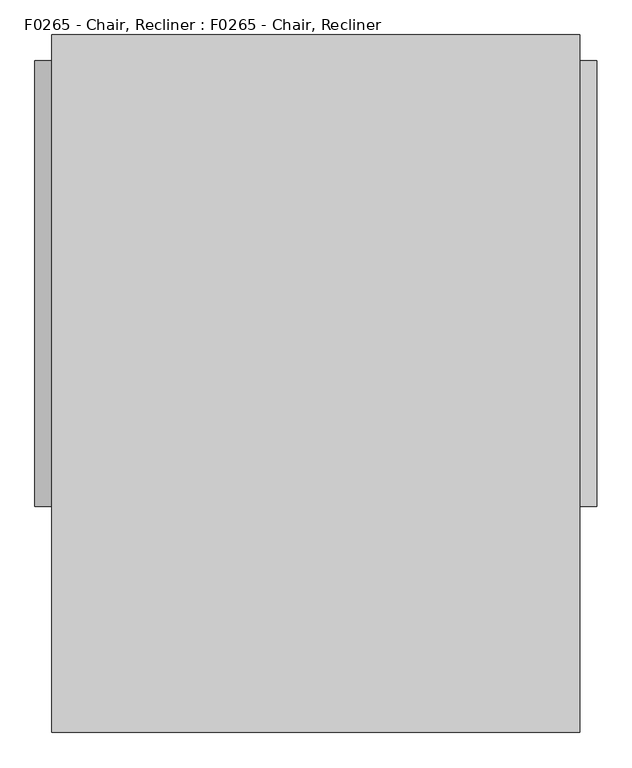
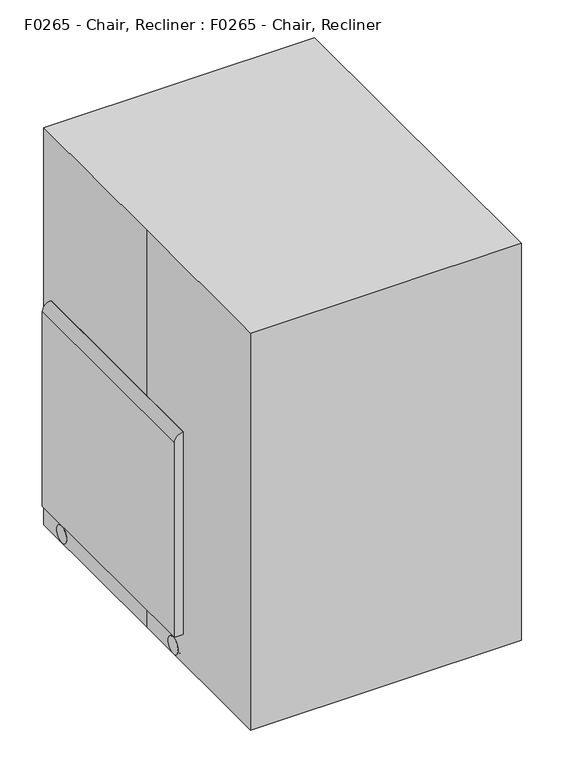
"""IFC4 building model written with IfcOpenShell, lengths in millimetres: proxy geometry, F0265 - Chair, Recliner : F0265 - Chair, Recliner."""

from ifc_helpers import new_model, si_unit, point, frame, frame_2d, origin, origin_with_axes, place, context, project, spatial, polyline, circle_curve, trimmed, segment, composite_curve, outline, extrude, source, transform, mapped, element, save


def f0265_chair_recliner_f0265_chair_recliner_27df9207(model_context):
    return source(origin(), model_context, "Body", "SweptSolid", [
        extrude(outline(composite_curve([segment(trimmed(circle_curve(frame_2d((-131.7625, 25.4)), 25.4), [point((-106.3625, 25.4))], [point((-157.1625, 25.4))], False, "CARTESIAN"), True, "CONTINUOUS"), segment(trimmed(circle_curve(frame_2d((-131.7625, 25.4)), 25.4), [point((-157.1625, 25.4))], [point((-106.3625, 25.4))], False, "CARTESIAN"), True, "CONTINUOUS")], self_intersect=False)), frame((-365.125, 0.0, 0.0), z_axis=(1.0, 0.0, 0.0), x_axis=(0.0, 1.0, 0.0)), (0.0, 0.0, 1.0), 9.525),
        extrude(outline(composite_curve([segment(trimmed(circle_curve(frame_2d((-374.65, -141.2875)), 7.9375), [point((-366.7125, -141.2875))], [point((-382.5875, -141.2875))], False, "CARTESIAN"), True, "CONTINUOUS"), segment(trimmed(circle_curve(frame_2d((-374.65, -141.2875)), 7.9375), [point((-382.5875, -141.2875))], [point((-366.7125, -141.2875))], False, "CARTESIAN"), True, "CONTINUOUS")], self_intersect=False)), frame((0.0, 0.0, 24.4243927), z_axis=(0.0, 0.0, 1.0), x_axis=(1.0, 0.0, 0.0)), (0.0, 0.0, 1.0), 64.4756073),
        extrude(outline(composite_curve([segment(trimmed(circle_curve(frame_2d((-131.7625, 25.4)), 19.05), [point((-150.8125, 25.4))], [point((-112.7125, 25.4))], False, "CARTESIAN"), True, "CONTINUOUS"), segment(trimmed(circle_curve(frame_2d((-131.7625, 25.4)), 19.05), [point((-112.7125, 25.4))], [point((-150.8125, 25.4))], False, "CARTESIAN"), True, "CONTINUOUS")], self_intersect=False)), frame((-384.175, 0.0, 0.0), z_axis=(1.0, 0.0, 0.0), x_axis=(0.0, 1.0, 0.0)), (0.0, 0.0, 1.0), 19.05),
        extrude(outline(composite_curve([segment(trimmed(circle_curve(frame_2d((-131.7625, 25.4)), 25.4), [point((-106.3625, 25.4))], [point((-157.1625, 25.4))], False, "CARTESIAN"), True, "CONTINUOUS"), segment(trimmed(circle_curve(frame_2d((-131.7625, 25.4)), 25.4), [point((-157.1625, 25.4))], [point((-106.3625, 25.4))], False, "CARTESIAN"), True, "CONTINUOUS")], self_intersect=False)), frame((-393.7, 0.0, 0.0), z_axis=(1.0, 0.0, 0.0), x_axis=(0.0, 1.0, 0.0)), (0.0, 0.0, 1.0), 9.525),
        extrude(outline(composite_curve([segment(trimmed(circle_curve(frame_2d((-131.7625, 25.4)), 25.4), [point((-106.3625, 25.4))], [point((-157.1625, 25.4))], False, "CARTESIAN"), True, "CONTINUOUS"), segment(trimmed(circle_curve(frame_2d((-131.7625, 25.4)), 25.4), [point((-157.1625, 25.4))], [point((-106.3625, 25.4))], False, "CARTESIAN"), True, "CONTINUOUS")], self_intersect=False)), frame((355.6, 0.0, 0.0), z_axis=(1.0, 0.0, 0.0), x_axis=(0.0, 1.0, 0.0)), (0.0, 0.0, 1.0), 9.525),
        extrude(outline(composite_curve([segment(trimmed(circle_curve(frame_2d((374.65, -141.2875)), 7.9375), [point((366.7125, -141.2875))], [point((382.5875, -141.2875))], False, "CARTESIAN"), True, "CONTINUOUS"), segment(trimmed(circle_curve(frame_2d((374.65, -141.2875)), 7.9375), [point((382.5875, -141.2875))], [point((366.7125, -141.2875))], False, "CARTESIAN"), True, "CONTINUOUS")], self_intersect=False)), frame((0.0, 0.0, 24.4243927), z_axis=(0.0, 0.0, 1.0), x_axis=(1.0, 0.0, 0.0)), (0.0, 0.0, 1.0), 64.4756073),
        extrude(outline(composite_curve([segment(trimmed(circle_curve(frame_2d((-131.7625, 25.4)), 19.05), [point((-150.8125, 25.4))], [point((-112.7125, 25.4))], False, "CARTESIAN"), True, "CONTINUOUS"), segment(trimmed(circle_curve(frame_2d((-131.7625, 25.4)), 19.05), [point((-112.7125, 25.4))], [point((-150.8125, 25.4))], False, "CARTESIAN"), True, "CONTINUOUS")], self_intersect=False)), frame((365.125, 0.0, 0.0), z_axis=(1.0, 0.0, 0.0), x_axis=(0.0, 1.0, 0.0)), (0.0, 0.0, 1.0), 19.05),
        extrude(outline(composite_curve([segment(trimmed(circle_curve(frame_2d((-131.7625, 25.4)), 25.4), [point((-106.3625, 25.4))], [point((-157.1625, 25.4))], False, "CARTESIAN"), True, "CONTINUOUS"), segment(trimmed(circle_curve(frame_2d((-131.7625, 25.4)), 25.4), [point((-157.1625, 25.4))], [point((-106.3625, 25.4))], False, "CARTESIAN"), True, "CONTINUOUS")], self_intersect=False)), frame((384.175, 0.0, 0.0), z_axis=(1.0, 0.0, 0.0), x_axis=(0.0, 1.0, 0.0)), (0.0, 0.0, 1.0), 9.525),
        extrude(outline(composite_curve([segment(trimmed(circle_curve(frame_2d((430.2125, 25.4)), 25.4), [point((404.8125, 25.4))], [point((455.6125, 25.4))], False, "CARTESIAN"), True, "CONTINUOUS"), segment(trimmed(circle_curve(frame_2d((430.2125, 25.4)), 25.4), [point((455.6125, 25.4))], [point((404.8125, 25.4))], False, "CARTESIAN"), True, "CONTINUOUS")], self_intersect=False)), frame((-365.125, 0.0, 0.0), z_axis=(1.0, 0.0, 0.0), x_axis=(0.0, 1.0, 0.0)), (0.0, 0.0, 1.0), 9.525),
        extrude(outline(composite_curve([segment(trimmed(circle_curve(frame_2d((-374.65, 439.7375)), 7.9375), [point((-366.7125, 439.7375))], [point((-382.5875, 439.7375))], False, "CARTESIAN"), True, "CONTINUOUS"), segment(trimmed(circle_curve(frame_2d((-374.65, 439.7375)), 7.9375), [point((-382.5875, 439.7375))], [point((-366.7125, 439.7375))], False, "CARTESIAN"), True, "CONTINUOUS")], self_intersect=False)), frame((0.0, 0.0, 24.4243927), z_axis=(0.0, 0.0, 1.0), x_axis=(1.0, 0.0, 0.0)), (0.0, 0.0, 1.0), 64.4756073),
        extrude(outline(composite_curve([segment(trimmed(circle_curve(frame_2d((430.2125, 25.4)), 19.05), [point((449.2625, 25.4))], [point((411.1625, 25.4))], False, "CARTESIAN"), True, "CONTINUOUS"), segment(trimmed(circle_curve(frame_2d((430.2125, 25.4)), 19.05), [point((411.1625, 25.4))], [point((449.2625, 25.4))], False, "CARTESIAN"), True, "CONTINUOUS")], self_intersect=False)), frame((-384.175, 0.0, 0.0), z_axis=(1.0, 0.0, 0.0), x_axis=(0.0, 1.0, 0.0)), (0.0, 0.0, 1.0), 19.05),
        extrude(outline(composite_curve([segment(trimmed(circle_curve(frame_2d((430.2125, 25.4)), 25.4), [point((404.8125, 25.4))], [point((455.6125, 25.4))], False, "CARTESIAN"), True, "CONTINUOUS"), segment(trimmed(circle_curve(frame_2d((430.2125, 25.4)), 25.4), [point((455.6125, 25.4))], [point((404.8125, 25.4))], False, "CARTESIAN"), True, "CONTINUOUS")], self_intersect=False)), frame((-393.7, 0.0, 0.0), z_axis=(1.0, 0.0, 0.0), x_axis=(0.0, 1.0, 0.0)), (0.0, 0.0, 1.0), 9.525),
        extrude(outline(composite_curve([segment(trimmed(circle_curve(frame_2d((430.2125, 25.4)), 25.4), [point((404.8125, 25.4))], [point((455.6125, 25.4))], False, "CARTESIAN"), True, "CONTINUOUS"), segment(trimmed(circle_curve(frame_2d((430.2125, 25.4)), 25.4), [point((455.6125, 25.4))], [point((404.8125, 25.4))], False, "CARTESIAN"), True, "CONTINUOUS")], self_intersect=False)), frame((355.6, 0.0, 0.0), z_axis=(1.0, 0.0, 0.0), x_axis=(0.0, 1.0, 0.0)), (0.0, 0.0, 1.0), 9.525),
        extrude(outline(composite_curve([segment(trimmed(circle_curve(frame_2d((374.65, 439.7375)), 7.9375), [point((366.7125, 439.7375))], [point((382.5875, 439.7375))], False, "CARTESIAN"), True, "CONTINUOUS"), segment(trimmed(circle_curve(frame_2d((374.65, 439.7375)), 7.9375), [point((382.5875, 439.7375))], [point((366.7125, 439.7375))], False, "CARTESIAN"), True, "CONTINUOUS")], self_intersect=False)), frame((0.0, 0.0, 24.4243927), z_axis=(0.0, 0.0, 1.0), x_axis=(1.0, 0.0, 0.0)), (0.0, 0.0, 1.0), 64.4756073),
        extrude(outline(composite_curve([segment(trimmed(circle_curve(frame_2d((430.2125, 25.4)), 19.05), [point((449.2625, 25.4))], [point((411.1625, 25.4))], False, "CARTESIAN"), True, "CONTINUOUS"), segment(trimmed(circle_curve(frame_2d((430.2125, 25.4)), 19.05), [point((411.1625, 25.4))], [point((449.2625, 25.4))], False, "CARTESIAN"), True, "CONTINUOUS")], self_intersect=False)), frame((365.125, 0.0, 0.0), z_axis=(1.0, 0.0, 0.0), x_axis=(0.0, 1.0, 0.0)), (0.0, 0.0, 1.0), 19.05),
        extrude(outline(composite_curve([segment(trimmed(circle_curve(frame_2d((430.2125, 25.4)), 25.4), [point((404.8125, 25.4))], [point((455.6125, 25.4))], False, "CARTESIAN"), True, "CONTINUOUS"), segment(trimmed(circle_curve(frame_2d((430.2125, 25.4)), 25.4), [point((455.6125, 25.4))], [point((404.8125, 25.4))], False, "CARTESIAN"), True, "CONTINUOUS")], self_intersect=False)), frame((384.175, 0.0, 0.0), z_axis=(1.0, 0.0, 0.0), x_axis=(0.0, 1.0, 0.0)), (0.0, 0.0, 1.0), 9.525),
        extrude(outline(polyline([(330.2, -182.829858), (-330.2, -182.829858), (-330.2, -132.029858), (330.2, -132.029858), (330.2, -182.829858)])), frame((0.0, 0.0, 88.9), z_axis=(0.0, 0.0, 1.0), x_axis=(1.0, 0.0, 0.0)), (0.0, 0.0, 1.0), 330.2),
        extrude(outline(composite_curve([segment(trimmed(circle_curve(frame_2d((-118.2775517, 423.9125048)), 25.4), [point((-111.703548, 399.3779888))], [point((-142.8120677, 417.338501))], False, "CARTESIAN"), True, "CONTINUOUS"), segment(polyline([(-142.8120677, 417.338501), (-333.9613881, 1130.7174765)]), True, "CONTINUOUS"), segment(trimmed(circle_curve(frame_2d((-309.4268721, 1137.2914803)), 25.4), [point((-333.9613881, 1130.7174765))], [point((-316.0008758, 1161.8259963))], False, "CARTESIAN"), True, "CONTINUOUS"), segment(polyline([(-316.0008758, 1161.8259963), (-266.9318439, 1174.9740037)]), True, "CONTINUOUS"), segment(trimmed(circle_curve(frame_2d((-260.3578401, 1150.4394878)), 25.4), [point((-266.9318439, 1174.9740037))], [point((-235.8233241, 1157.0134915))], False, "CARTESIAN"), True, "CONTINUOUS"), segment(polyline([(-235.8233241, 1157.0134915), (-44.6740037, 443.634516)]), True, "CONTINUOUS"), segment(trimmed(circle_curve(frame_2d((-69.2085197, 437.0605122)), 25.4), [point((-44.6740037, 443.634516))], [point((-62.634516, 412.5259963))], False, "CARTESIAN"), True, "CONTINUOUS"), segment(polyline([(-62.634516, 412.5259963), (-111.703548, 399.3779888)]), True, "CONTINUOUS")], self_intersect=False)), frame((-330.2, 0.0, 0.0), z_axis=(1.0, 0.0, 0.0), x_axis=(0.0, 1.0, 0.0)), (0.0, 0.0, 1.0), 660.4),
        extrude(outline(composite_curve([segment(polyline([(711.2, -355.6), (711.2, -393.7)]), True, "CONTINUOUS"), segment(trimmed(circle_curve(frame_2d((685.8, -393.7)), 25.4), [point((711.2, -393.7))], [point((685.8, -419.1))], False, "CARTESIAN"), True, "CONTINUOUS"), segment(polyline([(685.8, -419.1), (88.9, -419.1), (88.9, -330.2), (685.8, -330.2)]), True, "CONTINUOUS"), segment(trimmed(circle_curve(frame_2d((685.8, -355.6)), 25.4), [point((685.8, -330.2))], [point((711.2, -355.6))], False, "CARTESIAN"), True, "CONTINUOUS")], self_intersect=False)), frame((0.0, -182.829858, 0.0), z_axis=(0.0, 1.0, 0.0), x_axis=(0.0, 0.0, 1.0)), (0.0, 0.0, 1.0), 665.429858),
        extrude(outline(composite_curve([segment(polyline([(711.2, 393.7), (711.2, 355.6)]), True, "CONTINUOUS"), segment(trimmed(circle_curve(frame_2d((685.8, 355.6)), 25.4), [point((711.2, 355.6))], [point((685.8, 330.2))], False, "CARTESIAN"), True, "CONTINUOUS"), segment(polyline([(685.8, 330.2), (88.9, 330.2), (88.9, 419.1), (685.8, 419.1)]), True, "CONTINUOUS"), segment(trimmed(circle_curve(frame_2d((685.8, 393.7)), 25.4), [point((685.8, 419.1))], [point((711.2, 393.7))], False, "CARTESIAN"), True, "CONTINUOUS")], self_intersect=False)), frame((0.0, -182.829858, 0.0), z_axis=(0.0, 1.0, 0.0), x_axis=(0.0, 0.0, 1.0)), (0.0, 0.0, 1.0), 665.429858),
        extrude(outline(composite_curve([segment(polyline([(406.4, 269.6121072), (406.4, -266.7)]), True, "CONTINUOUS"), segment(trimmed(circle_curve(frame_2d((355.6, -266.7)), 50.8), [point((406.4, -266.7))], [point((355.6, -317.5))], False, "CARTESIAN"), True, "CONTINUOUS"), segment(polyline([(355.6, -317.5), (139.7, -317.5)]), True, "CONTINUOUS"), segment(trimmed(circle_curve(frame_2d((139.7, -266.7)), 50.8), [point((139.7, -317.5))], [point((88.9, -266.7))], False, "CARTESIAN"), True, "CONTINUOUS"), segment(polyline([(88.9, -266.7), (88.9, 269.6121072)]), True, "CONTINUOUS"), segment(trimmed(circle_curve(frame_2d((139.7, 269.6121072)), 50.8), [point((88.9, 269.6121072))], [point((139.7, 320.4121072))], False, "CARTESIAN"), True, "CONTINUOUS"), segment(polyline([(139.7, 320.4121072), (355.6, 320.4121072)]), True, "CONTINUOUS"), segment(trimmed(circle_curve(frame_2d((355.6, 269.6121072)), 50.8), [point((355.6, 320.4121072))], [point((406.4, 269.6121072))], False, "CARTESIAN"), True, "CONTINUOUS")], self_intersect=False)), frame((0.0, 381.0, 0.0), z_axis=(0.0, 1.0, 0.0), x_axis=(0.0, 0.0, 1.0)), (0.0, 0.0, 1.0), 101.6),
        extrude(outline(composite_curve([segment(polyline([(279.4, -38.1), (-279.4, -38.1)]), True, "CONTINUOUS"), segment(trimmed(circle_curve(frame_2d((-279.4, 12.7)), 50.8), [point((-279.4, -38.1))], [point((-330.2, 12.7))], False, "CARTESIAN"), True, "CONTINUOUS"), segment(polyline([(-330.2, 12.7), (-330.2, 431.8)]), True, "CONTINUOUS"), segment(trimmed(circle_curve(frame_2d((-279.4, 431.8)), 50.8), [point((-330.2, 431.8))], [point((-279.4, 482.6))], False, "CARTESIAN"), True, "CONTINUOUS"), segment(polyline([(-279.4, 482.6), (279.4, 482.6)]), True, "CONTINUOUS"), segment(trimmed(circle_curve(frame_2d((279.4, 431.8)), 50.8), [point((279.4, 482.6))], [point((330.2, 431.8))], False, "CARTESIAN"), True, "CONTINUOUS"), segment(polyline([(330.2, 431.8), (330.2, 12.7)]), True, "CONTINUOUS"), segment(trimmed(circle_curve(frame_2d((279.4, 12.7)), 50.8), [point((330.2, 12.7))], [point((279.4, -38.1))], False, "CARTESIAN"), True, "CONTINUOUS")], self_intersect=False)), frame((0.0, 0.0, 419.1), z_axis=(0.0, 0.0, 1.0), x_axis=(1.0, 0.0, 0.0)), (0.0, 0.0, 1.0), 101.6),
        extrude(outline(polyline([(-393.7, -520.7), (-393.7, 0.0), (-393.7, 520.7), (393.7, 520.7), (393.7, -520.7), (-393.7, -520.7)])), origin_with_axes(), (0.0, 0.0, 1.0), 1219.2),
    ])


if __name__ == "__main__":
    model = new_model("IFC4")
    model_context = context("Model", 3, world=origin())
    ifc_project = project(units=[si_unit("LENGTHUNIT", "METRE", prefix="MILLI")], contexts=[model_context])
    site = spatial("IfcSite", under=ifc_project)
    building = spatial("IfcBuilding", under=site)
    placement = place(None, origin())
    f0265_chair_recliner_f0265_chair_recliner_shape = f0265_chair_recliner_f0265_chair_recliner_27df9207(model_context)
    element("IfcBuildingElementProxy", 1, Name="F0265 - Chair, Recliner : F0265 - Chair, Recliner", ObjectType="F0265 - Chair, Recliner : F0265 - Chair, Recliner", at=placement, inside=building, context=model_context, shape_type="MappedRepresentation", body=[
        mapped(f0265_chair_recliner_f0265_chair_recliner_shape, transform((0.0, 0.0, 0.0), x_axis=(1.0, 0.0, 0.0), y_axis=(0.0, 1.0, 0.0), z_axis=(0.0, 0.0, 1.0))),
    ])
    save(model, "model.ifc")
